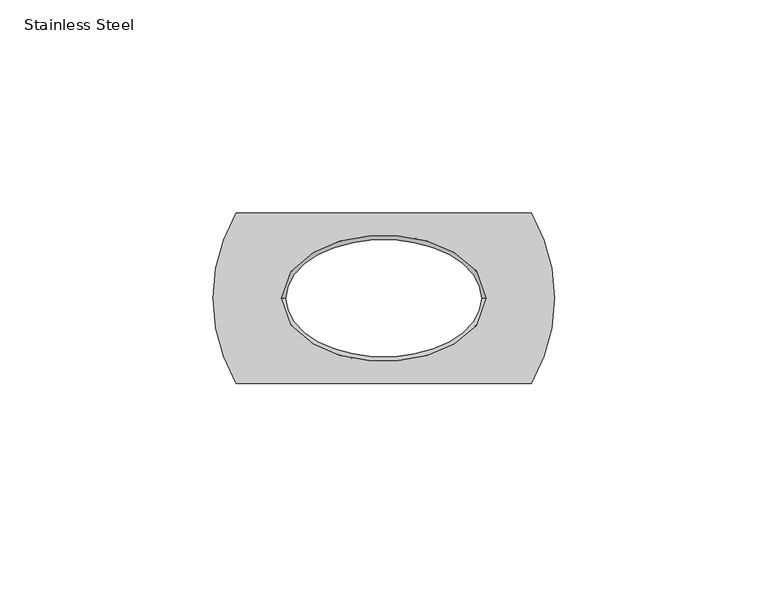
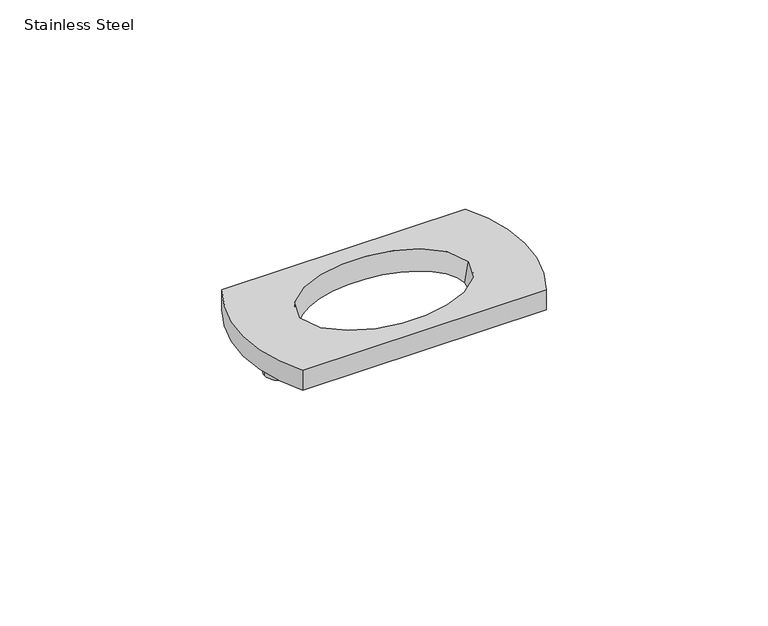
"""IFC4 building model written with IfcOpenShell, lengths in millimetres: proxy geometry, Stainless Steel."""

import ifcopenshell
import ifcopenshell.guid

model = None  # the IFC model being written
_history = None  # IfcOwnerHistory: only IFC2X3 demands one
_inside = {}  # id of a spatial element -> (the spatial element, [elements in it])
_under = {}  # id of a project, library or spatial element -> (it, [spatial elements below it])
_declared = {}  # id of a project -> (the project, [libraries it declares])
_typed = {}  # id of a type object -> (the type object, [elements of that type])
_made_of = {}  # id of a material, layer set ... -> (it, [elements and type objects made of it])


def new_model(schema):
    """Start an empty IFC model of exactly this schema.

    Asked for "IFC4X3", IfcOpenShell would pick the latest addendum, in which some entities
    have other attributes; the version numbers below select the first issue.
    IFC2X3 requires an IfcOwnerHistory on every rooted entity: one is made here for all.
    """
    global model, _history
    if schema == "IFC4X3":
        model = ifcopenshell.file(schema_version=(4, 3, 0, 0))
    else:
        model = ifcopenshell.file(schema=schema)
    _inside.clear()
    _under.clear()
    _declared.clear()
    _typed.clear()
    _made_of.clear()
    _history = None
    if model.schema == "IFC2X3":
        org = make("IfcOrganization", Name="unknown")
        user = make(
            "IfcPersonAndOrganization",
            ThePerson=make("IfcPerson", FamilyName="unknown"),
            TheOrganization=org,
        )
        app = make(
            "IfcApplication",
            ApplicationDeveloper=org,
            Version="unknown",
            ApplicationFullName="unknown",
            ApplicationIdentifier="unknown",
        )
        _history = make(
            "IfcOwnerHistory",
            OwningUser=user,
            OwningApplication=app,
            ChangeAction="ADDED",
            CreationDate=0,
        )
    return model


def make(cls, **values):
    """One entity of the class cls with the attributes given. An attribute that is None is left unset."""
    return model.create_entity(
        cls, **{name: value for name, value in values.items() if value is not None}
    )


def rooted(cls, **values):
    """An entity with a GlobalId (a new one), such as an element, a storey or a relation."""
    return make(cls, GlobalId=ifcopenshell.guid.new(), OwnerHistory=_history, **values)


def si_unit(unit_type, name, prefix=None):
    """IfcSIUnit, for example si_unit("LENGTHUNIT", "METRE", prefix="MILLI")."""
    return make("IfcSIUnit", UnitType=unit_type, Prefix=prefix, Name=name)


def assignment(units):
    """IfcUnitAssignment: the units of a project."""
    return None if units is None else make("IfcUnitAssignment", Units=units)


def point(xyz):
    """IfcCartesianPoint."""
    return None if xyz is None else make("IfcCartesianPoint", Coordinates=xyz)


def direction(xyz):
    """IfcDirection."""
    return None if xyz is None else make("IfcDirection", DirectionRatios=xyz)


def frame(location, z_axis=None, x_axis=None):
    """IfcAxis2Placement3D, a coordinate frame: its origin and axes. An axis left out is left unset."""
    return make(
        "IfcAxis2Placement3D",
        Location=point(location),
        Axis=direction(z_axis),
        RefDirection=direction(x_axis),
    )


def frame_2d(location, x_axis=None):
    """IfcAxis2Placement2D, a coordinate frame in the plane: its origin and x axis."""
    return make(
        "IfcAxis2Placement2D", Location=point(location), RefDirection=direction(x_axis)
    )


def origin():
    """The frame at (0, 0, 0) with its axes left unset."""
    return frame((0.0, 0.0, 0.0))


def origin_with_axes():
    """The frame at (0, 0, 0) with the z axis (0, 0, 1) and the x axis (1, 0, 0) written out."""
    return frame((0.0, 0.0, 0.0), z_axis=(0.0, 0.0, 1.0), x_axis=(1.0, 0.0, 0.0))


def place(relative_to, where):
    """IfcLocalPlacement: puts the frame where relative to a parent placement (None: the world)."""
    return make(
        "IfcLocalPlacement", PlacementRelTo=relative_to, RelativePlacement=where
    )


def context(
    kind, dimensions, precision=None, world=None, true_north=None, identifier=None
):
    """IfcGeometricRepresentationContext, for example the 3D "Model" context."""
    return make(
        "IfcGeometricRepresentationContext",
        ContextIdentifier=identifier,
        ContextType=kind,
        CoordinateSpaceDimension=dimensions,
        Precision=precision,
        WorldCoordinateSystem=world,
        TrueNorth=true_north,
    )


def project(units=None, contexts=None):
    """IfcProject with its units and contexts."""
    return rooted(
        "IfcProject",
        Name="project",
        RepresentationContexts=contexts,
        UnitsInContext=assignment(units),
    )


def spatial(cls, under=None, at=None, **own):
    """A site, building, storey or space (cls), placed at a placement, below another one or the project."""
    s = rooted(cls, ObjectPlacement=at, **own)
    if under is not None:
        _under.setdefault(under.id(), (under, []))[1].append(s)
    return s


def circle_curve(where, radius):
    """IfcCircle in the frame where."""
    return make("IfcCircle", Position=where, Radius=radius)


def ellipse_curve(where, semi_axis1, semi_axis2):
    """IfcEllipse in the frame where."""
    return make(
        "IfcEllipse", Position=where, SemiAxis1=semi_axis1, SemiAxis2=semi_axis2
    )


def trimmed(basis, trim1, trim2, sense, master):
    """IfcTrimmedCurve: the piece of a basis curve between two trims."""
    return make(
        "IfcTrimmedCurve",
        BasisCurve=basis,
        Trim1=trim1,
        Trim2=trim2,
        SenseAgreement=sense,
        MasterRepresentation=master,
    )


def segment(curve, same_sense, transition):
    """IfcCompositeCurveSegment."""
    return make(
        "IfcCompositeCurveSegment",
        Transition=transition,
        SameSense=same_sense,
        ParentCurve=curve,
    )


def composite_curve(segments, self_intersect=None):
    """IfcCompositeCurve: segments joined end to end."""
    return make("IfcCompositeCurve", Segments=segments, SelfIntersect=self_intersect)


def outline(outer, holes=None, kind="AREA"):
    """IfcArbitraryClosedProfileDef: a profile drawn as a closed curve; with holes, ...WithVoids."""
    if holes is None:
        return make("IfcArbitraryClosedProfileDef", ProfileType=kind, OuterCurve=outer)
    return make(
        "IfcArbitraryProfileDefWithVoids",
        ProfileType=kind,
        OuterCurve=outer,
        InnerCurves=holes,
    )


def extrude(swept, where, along, depth):
    """IfcExtrudedAreaSolid: the profile swept, set in the frame where, extruded along a direction by depth."""
    return make(
        "IfcExtrudedAreaSolid",
        SweptArea=swept,
        Position=where,
        ExtrudedDirection=direction(along),
        Depth=depth,
    )


def shape(context_of_items, identifier, shape_type, items):
    """IfcShapeRepresentation: the items that make up one representation, for example the "Body"."""
    return make(
        "IfcShapeRepresentation",
        ContextOfItems=context_of_items,
        RepresentationIdentifier=identifier,
        RepresentationType=shape_type,
        Items=items,
    )


def source(mapping_origin, context_of_items, identifier, shape_type, items):
    """IfcRepresentationMap: a shape defined once, which mapped items show again and again."""
    return make(
        "IfcRepresentationMap",
        MappingOrigin=mapping_origin,
        MappedRepresentation=shape(context_of_items, identifier, shape_type, items),
    )


def transform(
    local_origin,
    x_axis=None,
    y_axis=None,
    z_axis=None,
    scale=None,
    scale2=None,
    scale3=None,
    uniform=True,
):
    """IfcCartesianTransformationOperator3D, or its non-uniform kind. x_axis, y_axis, z_axis: its Axis1, 2, 3."""
    if uniform:
        return make(
            "IfcCartesianTransformationOperator3D",
            Axis1=direction(x_axis),
            Axis2=direction(y_axis),
            LocalOrigin=point(local_origin),
            Scale=scale,
            Axis3=direction(z_axis),
        )
    return make(
        "IfcCartesianTransformationOperator3DnonUniform",
        Axis1=direction(x_axis),
        Axis2=direction(y_axis),
        LocalOrigin=point(local_origin),
        Scale=scale,
        Axis3=direction(z_axis),
        Scale2=scale2,
        Scale3=scale3,
    )


def mapped(mapping_source, mapping_target):
    """IfcMappedItem: shows the shape of a source again, moved by a transform."""
    return make(
        "IfcMappedItem", MappingSource=mapping_source, MappingTarget=mapping_target
    )


def made_of(thing, what):
    """Note that an element or type object is made of a material, layer set ...; save() writes the relation."""
    if what is not None:
        _made_of.setdefault(what.id(), (what, []))[1].append(thing)
    return thing


def element(
    cls,
    number,
    at=None,
    inside=None,
    cuts=None,
    type_object=None,
    material=None,
    context=None,
    identifier="Body",
    shape_type=None,
    held_by="IfcProductDefinitionShape",
    body=None,
    shapes=None,
    **own,
):
    """One element of the class cls, such as IfcWall. Its Tag is "e" and its number.

    at: its placement. inside: the storey or other place that contains it. cuts: it is an
    opening in that element (IfcRelVoidsElement). A single representation is given by context,
    identifier, shape_type and body (its items); several are given by shapes. held_by: the class
    of the entity that holds the representations. save() writes the other relations.
    """
    e = rooted(cls, Tag="e%d" % number, ObjectPlacement=at, **own)
    if body is not None:
        shapes = [shape(context, identifier, shape_type, body)]
    if shapes is not None:
        e.Representation = make(held_by, Representations=shapes)
    if inside is not None:
        _inside.setdefault(inside.id(), (inside, []))[1].append(e)
    if cuts is not None:
        rooted(
            "IfcRelVoidsElement", RelatingBuildingElement=cuts, RelatedOpeningElement=e
        )
    if type_object is not None:
        _typed.setdefault(type_object.id(), (type_object, []))[1].append(e)
    return made_of(e, material)


def aggregate(whole, parts):
    """IfcRelAggregates: a whole, such as a stair, and the parts it consists of."""
    return rooted("IfcRelAggregates", RelatingObject=whole, RelatedObjects=parts)


def save(model, path):
    """Write the relations noted so far, then the file.

    IfcRelAggregates (storeys below a building ...), IfcRelContainedInSpatialStructure (elements
    in a storey), IfcRelDefinesByType, IfcRelAssociatesMaterial and IfcRelDeclares: one each for
    every whole, place, type object, material and project.
    """
    for whole, parts in _under.values():
        aggregate(whole, parts)
    for where, things in _inside.values():
        rooted(
            "IfcRelContainedInSpatialStructure",
            RelatedElements=things,
            RelatingStructure=where,
        )
    for kind, things in _typed.values():
        rooted("IfcRelDefinesByType", RelatedObjects=things, RelatingType=kind)
    for what, things in _made_of.values():
        rooted("IfcRelAssociatesMaterial", RelatedObjects=things, RelatingMaterial=what)
    for by, libraries in _declared.values():
        rooted("IfcRelDeclares", RelatingContext=by, RelatedDefinitions=libraries)
    model.write(path)


def plane_surface(at):
    """IfcPlane: the flat surface through the origin of the frame at, square to its z axis."""
    return make("IfcPlane", Position=at)


def cylinder_surface(at, radius):
    """IfcCylindricalSurface: all points at the distance radius from the z axis of the frame at."""
    return make("IfcCylindricalSurface", Position=at, Radius=radius)


def spline_surface(u_degree, v_degree, points, u_multiplicities, v_multiplicities, u_knots, v_knots, weights=None):
    """IfcBSplineSurfaceWithKnots; with weights, IfcRationalBSplineSurfaceWithKnots. points: one row for each step in u."""
    own = dict(
        UDegree=u_degree,
        VDegree=v_degree,
        ControlPointsList=[[point(p) for p in row] for row in points],
        SurfaceForm="UNSPECIFIED",
        UClosed=False,
        VClosed=False,
        SelfIntersect=False,
        UMultiplicities=u_multiplicities,
        VMultiplicities=v_multiplicities,
        UKnots=u_knots,
        VKnots=v_knots,
        KnotSpec="UNSPECIFIED",
    )
    if weights is None:
        return make("IfcBSplineSurfaceWithKnots", **own)
    return make("IfcRationalBSplineSurfaceWithKnots", WeightsData=weights, **own)


def advanced_brep(points, edges, surfaces, faces):
    """IfcAdvancedBrep: a solid bounded by faces that lie on surfaces and meet in shared edges.

    An edge is (start, end): straight between two places in points (the first is 0);
    or (start, end, curve); or (start, end, curve, False) where it runs against its curve.
    A face is (place in surfaces, loops), or (place, loops, False) where it looks against
    its surface's normal. A loop lists edges by number (the first is 1), with a minus sign
    where the edge is run from its end to its start. The first loop is the outer one.
    """
    corners = [point(p) for p in points]
    vertices = [make("IfcVertexPoint", VertexGeometry=c) for c in corners]
    made = []
    for start, end, *more in edges:
        made.append(
            make(
                "IfcEdgeCurve",
                EdgeStart=vertices[start],
                EdgeEnd=vertices[end],
                EdgeGeometry=more[0] if more else make("IfcPolyline", Points=[corners[start], corners[end]]),
                SameSense=more[1] if len(more) > 1 else True,
            )
        )
    hull = []
    for where, loops, *sense in faces:
        bounds = []
        for j, loop in enumerate(loops):
            ring = [make("IfcOrientedEdge", EdgeElement=made[abs(k) - 1], Orientation=k > 0) for k in loop]
            bounds.append(
                make(
                    "IfcFaceOuterBound" if j == 0 else "IfcFaceBound",
                    Bound=make("IfcEdgeLoop", EdgeList=ring),
                    Orientation=True,
                )
            )
        hull.append(make("IfcAdvancedFace", Bounds=bounds, FaceSurface=surfaces[where], SameSense=sense[0] if sense else True))
    return make("IfcAdvancedBrep", Outer=make("IfcClosedShell", CfsFaces=hull))


def stainless_steel_86b50819(model_context):
    return source(origin(), model_context, "Body", "SolidModel", [
        advanced_brep(
        [(34.6410162, -20.0, 6.0), (34.6410162, 20.0, 6.0), (-34.6410162, 20.0, 6.0), (-34.6410162, -20.0, 6.0), (24.0, 0.0, 6.0), (-24.0, 0.0, 6.0), (34.6410162, -20.0, 0.0), (-34.6410162, -20.0, 0.0), (-34.6410162, 20.0, 0.0), (34.6410162, 20.0, 0.0), (-23.0, 0.0, 0.0), (23.0, 0.0, 0.0)],
        [
            (0, 1, circle_curve(frame((0.3744648, 0.0, 6.0), z_axis=(0.0, 0.0, 1.0), x_axis=(1.0, 0.0, 0.0)), 39.6761458)),
            (1, 2),
            (2, 3, circle_curve(frame((-0.3744648, 0.0, 6.0), z_axis=(0.0, 0.0, 1.0), x_axis=(1.0, 0.0, 0.0)), 39.6761458)),
            (3, 0),
            (4, 5, ellipse_curve(frame((0.0, 0.0, 6.0), z_axis=(0.0, 0.0, -1.0), x_axis=(1.0, 0.0, 0.0)), 24.0, 14.8)),
            (5, 4, ellipse_curve(frame((0.0, 0.0, 6.0), z_axis=(0.0, 0.0, -1.0), x_axis=(1.0, 0.0, 0.0)), 24.0, 14.8)),
            (6, 7),
            (7, 8, circle_curve(frame((-0.3744648, 0.0, 0.0), z_axis=(0.0, 0.0, -1.0), x_axis=(1.0, 0.0, 0.0)), 39.6761458)),
            (8, 9),
            (9, 6, circle_curve(frame((0.3744648, 0.0, 0.0), z_axis=(0.0, 0.0, -1.0), x_axis=(1.0, 0.0, 0.0)), 39.6761458)),
            (10, 11, ellipse_curve(origin_with_axes(), 23.0, 13.8)),
            (11, 10, ellipse_curve(origin_with_axes(), 23.0, 13.8)),
            (0, 6),
            (9, 1),
            (8, 2),
            (7, 3),
            (10, 5),
            (4, 11),
        ],
        [
            plane_surface(frame((40.0506105, 0.0, 6.0), z_axis=(0.0, 0.0, 1.0), x_axis=(0.0, 1.0, 0.0))),
            plane_surface(frame((40.0506105, 0.0, 0.0), z_axis=(0.0, 0.0, -1.0), x_axis=(0.0, -1.0, 0.0))),
            cylinder_surface(frame((0.3744648, 0.0, 0.0), z_axis=(0.0, 0.0, 1.0), x_axis=(1.0, 0.0, 0.0)), 39.6761458),
            plane_surface(frame((34.6410162, 20.0, 6.0), z_axis=(0.0, 1.0, 0.0), x_axis=(0.0, 0.0, -1.0))),
            cylinder_surface(frame((-0.3744648, 0.0, 0.0), z_axis=(0.0, 0.0, 1.0), x_axis=(1.0, 0.0, 0.0)), 39.6761458),
            plane_surface(frame((-34.6410162, -20.0, 6.0), z_axis=(0.0, -1.0, 0.0), x_axis=(0.0, 0.0, -1.0))),
            spline_surface(1, 2, [[(-23.0, 0.0, 0.0), (-23.0, -13.8, 0.0), (0.0, -13.8, 0.0), (23.0, -13.8, 0.0), (23.0, 0.0, 0.0)], [(-24.0, 0.0, 6.0), (-24.0, -14.8, 6.0), (0.0, -14.8, 6.0), (24.0, -14.8, 6.0), (24.0, 0.0, 6.0)]], [2, 2], [3, 2, 3], [0.0, 1.0], [0.0, 1.0, 2.0], weights=[[1.0, 0.7071067811865476, 1.0, 0.7071067811865476, 1.0], [1.0, 0.7071067811865476, 1.0, 0.7071067811865476, 1.0]]),
            spline_surface(1, 2, [[(23.0, 0.0, 0.0), (23.0, 13.8, 0.0), (0.0, 13.8, 0.0), (-23.0, 13.8, 0.0), (-23.0, 0.0, 0.0)], [(24.0, 0.0, 6.0), (24.0, 14.8, 6.0), (0.0, 14.8, 6.0), (-24.0, 14.8, 6.0), (-24.0, 0.0, 6.0)]], [2, 2], [3, 2, 3], [0.0, 1.0], [0.0, 1.0, 2.0], weights=[[1.0, 0.7071067811865476, 1.0, 0.7071067811865476, 1.0], [1.0, 0.7071067811865476, 1.0, 0.7071067811865476, 1.0]]),
        ],
        [
            (0, [[1, 2, 3, 4], [5, 6]]),
            (1, [[7, 8, 9, 10], [11, 12]]),
            (2, [[-1, 13, -10, 14]]),
            (3, [[-2, -14, -9, 15]]),
            (4, [[-3, -15, -8, 16]]),
            (5, [[-4, -16, -7, -13]]),
            (6, [[17, -5, 18, -11]]),
            (7, [[-17, -12, -18, -6]]),
        ],
    ),
        extrude(outline(composite_curve([segment(trimmed(circle_curve(frame_2d((-30.0, 0.0)), 4.0), [point((-34.0, 0.0))], [point((-26.0, 0.0))], False, "CARTESIAN"), True, "CONTINUOUS"), segment(trimmed(circle_curve(frame_2d((-30.0, 0.0)), 4.0), [point((-26.0, 0.0))], [point((-34.0, 0.0))], False, "CARTESIAN"), True, "CONTINUOUS")], self_intersect=False)), frame((0.0, 0.0, -8.0), z_axis=(0.0, 0.0, 1.0), x_axis=(1.0, 0.0, 0.0)), (0.0, 0.0, 1.0), 8.0),
        extrude(outline(composite_curve([segment(trimmed(circle_curve(frame_2d((30.0, 0.0)), 4.0), [point((26.0, 0.0))], [point((34.0, 0.0))], False, "CARTESIAN"), True, "CONTINUOUS"), segment(trimmed(circle_curve(frame_2d((30.0, 0.0)), 4.0), [point((34.0, 0.0))], [point((26.0, 0.0))], False, "CARTESIAN"), True, "CONTINUOUS")], self_intersect=False)), frame((0.0, 0.0, -8.0), z_axis=(0.0, 0.0, 1.0), x_axis=(1.0, 0.0, 0.0)), (0.0, 0.0, 1.0), 8.0),
    ])


if __name__ == "__main__":
    model = new_model("IFC4")
    model_context = context("Model", 3, world=origin())
    ifc_project = project(units=[si_unit("LENGTHUNIT", "METRE", prefix="MILLI")], contexts=[model_context])
    site = spatial("IfcSite", under=ifc_project)
    building = spatial("IfcBuilding", under=site)
    placement = place(None, origin())
    stainless_steel_shape = stainless_steel_86b50819(model_context)
    element("IfcBuildingElementProxy", 1, Name="Stainless Steel", ObjectType="Stainless Steel", at=placement, inside=building, context=model_context, shape_type="MappedRepresentation", body=[
        mapped(stainless_steel_shape, transform((0.0, 0.0, 0.0), x_axis=(1.0, 0.0, 0.0), y_axis=(0.0, 1.0, 0.0), z_axis=(0.0, 0.0, 1.0))),
    ])
    save(model, "model.ifc")
